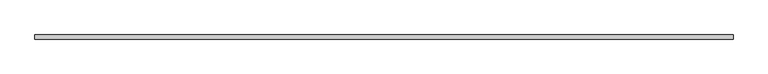
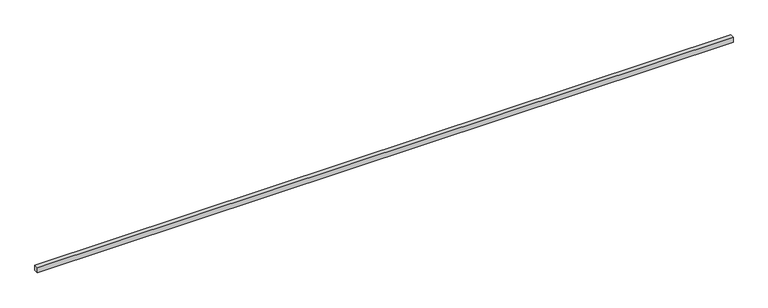
"""IFC4 building model written with IfcOpenShell, lengths in millimetres: proxy geometry."""

from ifc_helpers import new_model, si_unit, origin, origin_with_axes, place, context, project, spatial, polyline, outline, extrude, source, transform, mapped, element, save


def generic_models_f8fe2a7f(model_context):
    return source(origin(), model_context, "Body", "SweptSolid", [
        extrude(outline(polyline([(13416.6553505, -40.0), (0.0, -40.0), (0.0, 40.0), (13416.6553505, 40.0), (13416.6553505, -40.0)])), origin_with_axes(), (0.0, 0.0, 1.0), 100.0),
    ])


if __name__ == "__main__":
    model = new_model("IFC4")
    model_context = context("Model", 3, world=origin())
    ifc_project = project(units=[si_unit("LENGTHUNIT", "METRE", prefix="MILLI")], contexts=[model_context])
    site = spatial("IfcSite", under=ifc_project)
    building = spatial("IfcBuilding", under=site)
    placement = place(None, origin())
    generic_models_shape = generic_models_f8fe2a7f(model_context)
    element("IfcBuildingElementProxy", 1, Name="Generic Models", at=placement, inside=building, context=model_context, shape_type="MappedRepresentation", body=[
        mapped(generic_models_shape, transform((0.0, 0.0, 0.0), x_axis=(1.0, 0.0, 0.0), y_axis=(0.0, 1.0, 0.0), z_axis=(0.0, 0.0, 1.0))),
    ])
    save(model, "model.ifc")
